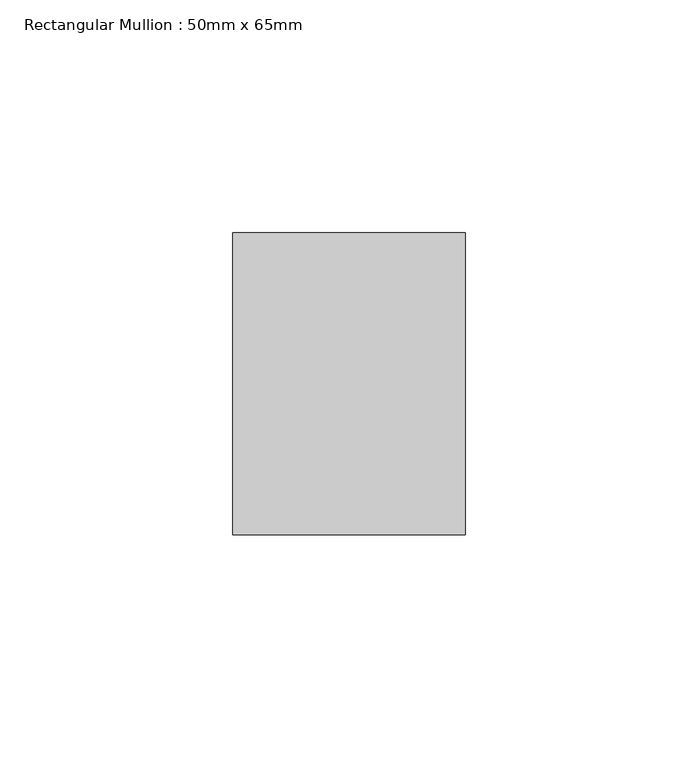
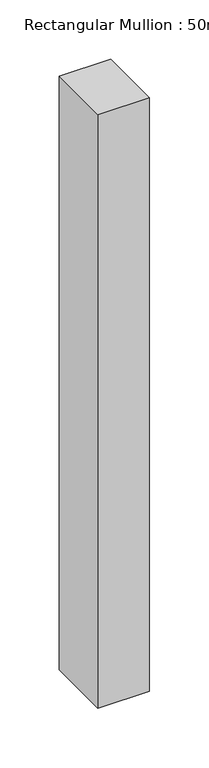
"""IFC4 building model written with IfcOpenShell, lengths in millimetres: member geometry, Rectangular Mullion : 50mm x 65mm."""

from ifc_helpers import new_model, si_unit, frame, origin, place, context, project, spatial, polyline, outline, extrude, source, transform, mapped, element, save


def rectangular_mullion_50mm_x_65mm_1027900d(model_context):
    return source(origin(), model_context, "Body", "SweptSolid", [
        extrude(outline(polyline([(25.0, 32.5), (25.0, -32.5), (-25.0, -32.5), (-25.0, 32.5), (25.0, 32.5)])), frame((0.0, 0.0, -610.7644402), z_axis=(0.0, 0.0, 1.0), x_axis=(1.0, 0.0, 0.0)), (0.0, 0.0, 1.0), 610.7644402),
    ])


if __name__ == "__main__":
    model = new_model("IFC4")
    model_context = context("Model", 3, world=origin())
    ifc_project = project(units=[si_unit("LENGTHUNIT", "METRE", prefix="MILLI")], contexts=[model_context])
    site = spatial("IfcSite", under=ifc_project)
    building = spatial("IfcBuilding", under=site)
    placement = place(None, origin())
    rectangular_mullion_50mm_x_65mm_shape = rectangular_mullion_50mm_x_65mm_1027900d(model_context)
    element("IfcMember", 1, ObjectType="Rectangular Mullion : 50mm x 65mm", at=placement, inside=building, context=model_context, shape_type="MappedRepresentation", body=[
        mapped(rectangular_mullion_50mm_x_65mm_shape, transform((0.0, 0.0, 0.0), x_axis=(1.0, 0.0, 0.0), y_axis=(0.0, 1.0, 0.0), z_axis=(0.0, 0.0, 1.0))),
    ])
    save(model, "model.ifc")
